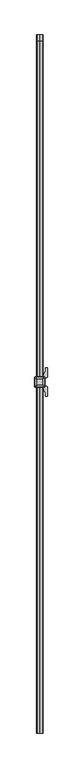
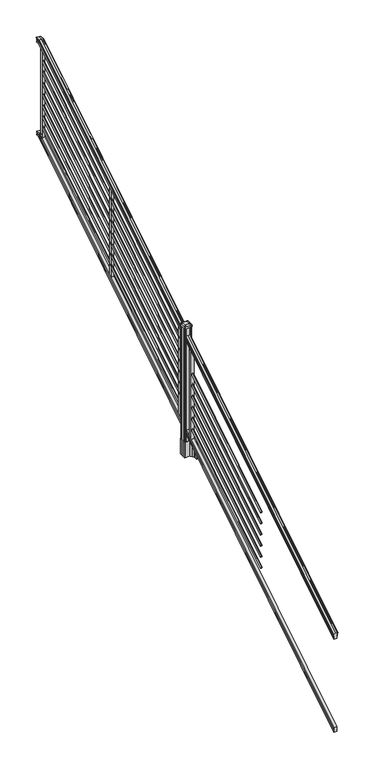
"""IFC4 building model written with IfcOpenShell, lengths in millimetres: railing geometry."""

from ifc_helpers import new_model, si_unit, point, frame, frame_2d, origin, origin_2d, place, context, project, spatial, polyline, circle_curve, ellipse_curve, trimmed, segment, composite_curve, outline, extrude, faceted_brep, source, transform, mapped, element, save
from ifc_brep_helpers import plane_surface, cylinder_surface, revolved_surface, extruded_surface, advanced_brep


def railing_452a5025(model_context):
    return source(origin(), model_context, "Body", "SolidModel", [
        advanced_brep(
        [(10037.832944, -142728.8628453, 1270.3670492), (10040.4067728, -142728.8628453, 1270.3670492), (10040.4067728, -142728.8628453, 1257.7994336), (10039.3907728, -142728.8628453, 1256.601318), (10039.3907728, -142728.8628453, 1242.06), (10071.1407728, -142728.8628453, 1242.06), (10071.1407728, -142728.8628453, 1256.7874214), (10070.1247728, -142728.8628453, 1257.985537), (10070.1247728, -142728.8628453, 1270.3670492), (10072.6986015, -142728.8628453, 1270.3670492), (10072.6986015, -142728.8628453, 1272.5935658), (10073.8287878, -142728.8628453, 1274.4358543), (10073.8287878, -142728.8628453, 1282.9476358), (10073.1795314, -142728.8628453, 1285.8172588), (10075.6795314, -142728.8628453, 1290.9235509), (10077.0888739, -142728.8628453, 1292.9042021), (10077.4907729, -142728.8628453, 1294.2069579), (10077.4907728, -142728.8628453, 1295.7874846), (10075.9373255, -142728.8628453, 1297.6193836), (10055.2657728, -142728.8628453, 1297.6193836), (10034.59422, -142728.8628453, 1297.6193836), (10033.0407728, -142728.8628453, 1295.7874846), (10033.0407728, -142728.8628453, 1294.2069579), (10033.4426717, -142728.8628453, 1292.9042021), (10034.8520141, -142728.8628453, 1290.9235509), (10037.3520141, -142728.8628453, 1285.8172588), (10036.7027577, -142728.8628453, 1282.9476358), (10036.7027577, -142728.8628453, 1274.4358543), (10037.832944, -142728.8628453, 1272.5935658), (10037.832944, -137852.0628453, 4295.0143297), (10037.832944, -137852.0628453, 4296.902412), (10036.7027577, -137852.0628453, 4298.4646695), (10036.7027577, -137852.0628453, 4305.6826458), (10037.3520141, -137852.0628453, 4308.1160812), (10034.8520141, -137852.0628453, 4312.4462082), (10033.4426717, -137852.0628453, 4314.1257972), (10033.0407727, -137852.0628453, 4315.2305318), (10033.0407728, -137852.0628453, 4316.5708158), (10034.59422, -137852.0628453, 4318.124263), (10055.2657728, -137852.0628453, 4318.124263), (10075.9373255, -137852.0628453, 4318.124263), (10077.4907728, -137852.0628453, 4316.5708158), (10077.4907728, -137852.0628453, 4315.2305318), (10077.0888739, -137852.0628453, 4314.1257972), (10075.6795314, -137852.0628453, 4312.4462082), (10073.1795314, -137852.0628453, 4308.1160812), (10073.8287878, -137852.0628453, 4305.6826458), (10073.8287878, -137852.0628453, 4298.4646695), (10072.6986015, -137852.0628453, 4296.902412), (10072.6986015, -137852.0628453, 4295.0143297), (10070.1247728, -137852.0628453, 4295.0143297), (10070.1247728, -137852.0628453, 4284.5148283), (10071.1407728, -137852.0628453, 4283.4988283), (10071.1407728, -137852.0628453, 4271.01), (10039.3907728, -137852.0628453, 4271.01), (10039.3907728, -137852.0628453, 4283.341013), (10040.4067728, -137852.0628453, 4284.357013), (10040.4067728, -137852.0628453, 4295.0143297), (10037.832944, -137889.9686913, 4296.902412), (10037.832944, -137889.4271965, 4295.0143297), (10036.7027577, -137890.4167409, 4298.4646695), (10036.7027577, -137892.4868293, 4305.6826458), (10037.3520141, -137893.1847294, 4308.1160812), (10034.8520141, -137894.4265935, 4312.4462082), (10033.4426717, -137894.9082932, 4314.1257972), (10033.0407727, -137895.2251269, 4315.2305318), (10033.0407728, -137895.6095153, 4316.5708158), (10034.59422, -137896.0550381, 4318.124263), (10055.2657728, -137896.0550381, 4318.124263), (10075.9373255, -137896.0550381, 4318.124263), (10077.4907728, -137895.6095153, 4316.5708158), (10077.4907728, -137895.2251269, 4315.2305318), (10077.0888739, -137894.9082932, 4314.1257972), (10075.6795314, -137894.4265935, 4312.4462082), (10073.1795314, -137893.1847294, 4308.1160812), (10073.8287878, -137892.4868293, 4305.6826458), (10073.8287878, -137890.4167409, 4298.4646695), (10072.6986015, -137889.9686913, 4296.902412), (10072.6986015, -137889.4271965, 4295.0143297), (10070.1247728, -137889.4271965, 4295.0143297), (10070.1247728, -137886.4159791, 4284.5148283), (10071.1407728, -137886.1245941, 4283.4988283), (10071.1407728, -137882.5428453, 4271.01), (10039.3907728, -137882.5428453, 4271.01), (10039.3907728, -137886.0793333, 4283.341013), (10040.4067728, -137886.3707182, 4284.357013), (10040.4067728, -137889.4271965, 4295.0143297)],
        [
            (0, 1, ellipse_curve(frame((10039.1198584, -142728.8628453, 1270.3670492), z_axis=(0.0, -1.0, 0.0), x_axis=(0.0, 0.0, -1.0)), 1.5175907, 1.2869144)),
            (1, 2),
            (2, 3),
            (3, 4),
            (4, 5),
            (5, 6),
            (6, 7),
            (7, 8),
            (8, 9, ellipse_curve(frame((10071.4116871, -142728.8628453, 1270.3670492), z_axis=(0.0, -1.0, 0.0), x_axis=(0.0, 0.0, -1.0)), 1.5175907, 1.2869144)),
            (9, 10),
            (10, 11, ellipse_curve(frame((10066.3838482, -142728.8628453, 1279.3839405), z_axis=(0.0, -1.0, 0.0), x_axis=(0.0, 0.0, -1.0)), 10.0777926, 8.545951)),
            (11, 12, ellipse_curve(frame((10066.8209112, -142728.8628453, 1278.6917451), z_axis=(0.0, -1.0, 0.0), x_axis=(0.0, 0.0, -1.0)), 9.2955186, 7.882584)),
            (12, 13, ellipse_curve(frame((10077.3342353, -142728.8628453, 1285.5875077), z_axis=(0.0, 1.0, 0.0), x_axis=(0.0, 0.0, 1.0)), 4.9048088, 4.1592695)),
            (13, 14, ellipse_curve(frame((10078.6215419, -142728.8628453, 1285.5163208), z_axis=(0.0, 1.0, 0.0), x_axis=(0.0, 0.0, 1.0)), 6.4245301, 5.4479907)),
            (14, 15, ellipse_curve(frame((10077.3883834, -142728.8628453, 1290.9202333), z_axis=(0.0, 1.0, 0.0), x_axis=(0.0, 0.0, 1.0)), 2.0151625, 1.7088543)),
            (15, 16, ellipse_curve(frame((10075.7714833, -142728.8628453, 1294.2069579), z_axis=(0.0, -1.0, 0.0), x_axis=(0.0, 0.0, -1.0)), 2.0274681, 1.7192895)),
            (16, 17),
            (17, 18, ellipse_curve(frame((10075.9373255, -142728.8628453, 1295.7874846), z_axis=(0.0, -1.0, 0.0), x_axis=(0.0, 0.0, -1.0)), 1.831899, 1.5534472)),
            (18, 19),
            (19, 20),
            (20, 21, ellipse_curve(frame((10034.59422, -142728.8628453, 1295.7874846), z_axis=(0.0, -1.0, 0.0), x_axis=(0.0, 0.0, -1.0)), 1.831899, 1.5534472)),
            (21, 22),
            (22, 23, ellipse_curve(frame((10034.7600622, -142728.8628453, 1294.2069579), z_axis=(0.0, -1.0, 0.0), x_axis=(0.0, 0.0, -1.0)), 2.0274681, 1.7192895)),
            (23, 24, ellipse_curve(frame((10033.1431621, -142728.8628453, 1290.9202333), z_axis=(0.0, 1.0, 0.0), x_axis=(0.0, 0.0, 1.0)), 2.0151625, 1.7088543)),
            (24, 25, ellipse_curve(frame((10031.9100037, -142728.8628453, 1285.5163208), z_axis=(0.0, 1.0, 0.0), x_axis=(0.0, 0.0, 1.0)), 6.4245301, 5.4479907)),
            (25, 26, ellipse_curve(frame((10033.1973102, -142728.8628453, 1285.5875077), z_axis=(0.0, 1.0, 0.0), x_axis=(0.0, 0.0, 1.0)), 4.9048088, 4.1592695)),
            (26, 27, ellipse_curve(frame((10043.7106343, -142728.8628453, 1278.6917451), z_axis=(0.0, -1.0, 0.0), x_axis=(0.0, 0.0, -1.0)), 9.2955186, 7.882584)),
            (27, 28, ellipse_curve(frame((10044.1476973, -142728.8628453, 1279.3839405), z_axis=(0.0, -1.0, 0.0), x_axis=(0.0, 0.0, -1.0)), 10.0777926, 8.545951)),
            (28, 0),
            (29, 30),
            (30, 31, circle_curve(frame((10044.1476973, -137852.0628453, 4302.6606383), z_axis=(0.0, 1.0, 0.0), x_axis=(1.0, 0.0, 0.0)), 8.545951)),
            (31, 32, circle_curve(frame((10043.7106343, -137852.0628453, 4302.0736577), z_axis=(0.0, 1.0, 0.0), x_axis=(1.0, 0.0, 0.0)), 7.882584)),
            (32, 33, circle_curve(frame((10033.1973102, -137852.0628453, 4307.9212527), z_axis=(0.0, -1.0, 0.0), x_axis=(1.0, 0.0, 0.0)), 4.1592695)),
            (33, 34, circle_curve(frame((10031.9100037, -137852.0628453, 4307.8608864), z_axis=(0.0, -1.0, 0.0), x_axis=(1.0, 0.0, 0.0)), 5.4479907)),
            (34, 35, circle_curve(frame((10033.1431621, -137852.0628453, 4312.443395), z_axis=(0.0, -1.0, 0.0), x_axis=(1.0, 0.0, 0.0)), 1.7088543)),
            (35, 36, circle_curve(frame((10034.7600622, -137852.0628453, 4315.2305318), z_axis=(0.0, 1.0, 0.0), x_axis=(1.0, 0.0, 0.0)), 1.7192895)),
            (36, 37),
            (37, 38, circle_curve(frame((10034.59422, -137852.0628453, 4316.5708158), z_axis=(0.0, 1.0, 0.0), x_axis=(1.0, 0.0, 0.0)), 1.5534472)),
            (38, 39),
            (39, 40),
            (40, 41, circle_curve(frame((10075.9373255, -137852.0628453, 4316.5708158), z_axis=(0.0, 1.0, 0.0), x_axis=(-1.0, 0.0, 0.0)), 1.5534472)),
            (41, 42),
            (42, 43, circle_curve(frame((10075.7714833, -137852.0628453, 4315.2305318), z_axis=(0.0, 1.0, 0.0), x_axis=(-1.0, 0.0, 0.0)), 1.7192895)),
            (43, 44, circle_curve(frame((10077.3883834, -137852.0628453, 4312.443395), z_axis=(0.0, -1.0, 0.0), x_axis=(-1.0, 0.0, 0.0)), 1.7088543)),
            (44, 45, circle_curve(frame((10078.6215419, -137852.0628453, 4307.8608864), z_axis=(0.0, -1.0, 0.0), x_axis=(-1.0, 0.0, 0.0)), 5.4479907)),
            (45, 46, circle_curve(frame((10077.3342353, -137852.0628453, 4307.9212527), z_axis=(0.0, -1.0, 0.0), x_axis=(-1.0, 0.0, 0.0)), 4.1592695)),
            (46, 47, circle_curve(frame((10066.8209112, -137852.0628453, 4302.0736577), z_axis=(0.0, 1.0, 0.0), x_axis=(-1.0, 0.0, 0.0)), 7.882584)),
            (47, 48, circle_curve(frame((10066.3838482, -137852.0628453, 4302.6606383), z_axis=(0.0, 1.0, 0.0), x_axis=(-1.0, 0.0, 0.0)), 8.545951)),
            (48, 49),
            (49, 50, circle_curve(frame((10071.4116871, -137852.0628453, 4295.0143297), z_axis=(0.0, 1.0, 0.0), x_axis=(-1.0, 0.0, 0.0)), 1.2869144)),
            (50, 51),
            (51, 52),
            (52, 53),
            (53, 54),
            (54, 55),
            (55, 56),
            (56, 57),
            (57, 29, circle_curve(frame((10039.1198584, -137852.0628453, 4295.0143297), z_axis=(0.0, 1.0, 0.0), x_axis=(1.0, 0.0, 0.0)), 1.2869144)),
            (28, 58),
            (58, 59),
            (59, 0),
            (27, 60),
            (60, 58, ellipse_curve(frame((10044.1476973, -137891.6201289, 4302.6606383), z_axis=(0.0, -0.9612487461643644, -0.2756825130425166), x_axis=(0.0, 0.27568251304251695, -0.9612487461643643)), 8.8904678, 8.545951)),
            (26, 61),
            (61, 60, ellipse_curve(frame((10043.7106343, -137891.4517851, 4302.0736577), z_axis=(0.0, -0.9612487461643644, -0.2756825130425166), x_axis=(0.0, 0.27568251304251695, -0.9612487461643643)), 8.2003581, 7.882584)),
            (25, 62),
            (62, 61, ellipse_curve(frame((10033.1973102, -137893.1288533, 4307.9212527), z_axis=(0.0, 0.9612487461643644, 0.2756825130425166), x_axis=(0.0, -0.27568251304251695, 0.9612487461643643)), 4.326944, 4.1592695)),
            (24, 63),
            (63, 62, ellipse_curve(frame((10031.9100037, -137893.1115404, 4307.8608864), z_axis=(0.0, 0.9612487461643644, 0.2756825130425166), x_axis=(0.0, -0.27568251304251695, 0.9612487461643643)), 5.667618, 5.4479907)),
            (23, 64),
            (64, 63, ellipse_curve(frame((10033.1431621, -137894.4257866, 4312.443395), z_axis=(0.0, 0.9612487461643644, 0.2756825130425166), x_axis=(0.0, -0.27568251304251695, 0.9612487461643643)), 1.7777442, 1.7088543)),
            (22, 65),
            (65, 64, ellipse_curve(frame((10034.7600622, -137895.2251269, 4315.2305318), z_axis=(0.0, -0.9612487461643644, -0.2756825130425166), x_axis=(0.0, 0.27568251304251695, -0.9612487461643643)), 1.7886, 1.7192895)),
            (21, 66),
            (66, 65),
            (20, 67),
            (67, 66, ellipse_curve(frame((10034.59422, -137895.6095153, 4316.5708158), z_axis=(0.0, -0.9612487461643644, -0.2756825130425166), x_axis=(0.0, 0.27568251304251695, -0.9612487461643643)), 1.6160721, 1.5534472)),
            (19, 68),
            (68, 67),
            (18, 69),
            (69, 68),
            (17, 70),
            (70, 69, ellipse_curve(frame((10075.9373255, -137895.6095153, 4316.5708158), z_axis=(0.0, -0.9612487461643644, -0.2756825130425166), x_axis=(0.0, 0.27568251304251695, -0.9612487461643643)), 1.6160721, 1.5534472)),
            (16, 71),
            (71, 70),
            (15, 72),
            (72, 71, ellipse_curve(frame((10075.7714833, -137895.2251269, 4315.2305318), z_axis=(0.0, -0.9612487461643644, -0.2756825130425166), x_axis=(0.0, 0.27568251304251695, -0.9612487461643643)), 1.7886, 1.7192895)),
            (14, 73),
            (73, 72, ellipse_curve(frame((10077.3883834, -137894.4257866, 4312.443395), z_axis=(0.0, 0.9612487461643644, 0.2756825130425166), x_axis=(0.0, -0.27568251304251695, 0.9612487461643643)), 1.7777442, 1.7088543)),
            (13, 74),
            (74, 73, ellipse_curve(frame((10078.6215419, -137893.1115404, 4307.8608864), z_axis=(0.0, 0.9612487461643644, 0.2756825130425166), x_axis=(0.0, -0.27568251304251695, 0.9612487461643643)), 5.667618, 5.4479907)),
            (12, 75),
            (75, 74, ellipse_curve(frame((10077.3342353, -137893.1288533, 4307.9212527), z_axis=(0.0, 0.9612487461643644, 0.2756825130425166), x_axis=(0.0, -0.27568251304251695, 0.9612487461643643)), 4.326944, 4.1592695)),
            (11, 76),
            (76, 75, ellipse_curve(frame((10066.8209112, -137891.4517851, 4302.0736577), z_axis=(0.0, -0.9612487461643644, -0.2756825130425166), x_axis=(0.0, 0.27568251304251695, -0.9612487461643643)), 8.2003581, 7.882584)),
            (10, 77),
            (77, 76, ellipse_curve(frame((10066.3838482, -137891.6201289, 4302.6606383), z_axis=(0.0, -0.9612487461643644, -0.2756825130425166), x_axis=(0.0, 0.27568251304251695, -0.9612487461643643)), 8.8904678, 8.545951)),
            (9, 78),
            (78, 77),
            (8, 79),
            (79, 78, ellipse_curve(frame((10071.4116871, -137889.4271965, 4295.0143297), z_axis=(0.0, -0.9612487461643644, -0.2756825130425166), x_axis=(0.0, 0.27568251304251695, -0.9612487461643643)), 1.3387943, 1.2869144)),
            (7, 80),
            (80, 79),
            (6, 81),
            (81, 80),
            (5, 82),
            (82, 81),
            (4, 83),
            (83, 82),
            (3, 84),
            (84, 83),
            (2, 85),
            (85, 84),
            (1, 86),
            (86, 85),
            (59, 86, ellipse_curve(frame((10039.1198584, -137889.4271965, 4295.0143297), z_axis=(0.0, -0.9612487461643644, -0.2756825130425166), x_axis=(0.0, 0.27568251304251695, -0.9612487461643643)), 1.3387943, 1.2869144)),
            (58, 30),
            (29, 59),
            (60, 31),
            (61, 32),
            (62, 33),
            (63, 34),
            (64, 35),
            (65, 36),
            (66, 37),
            (67, 38),
            (68, 39),
            (69, 40),
            (70, 41),
            (71, 42),
            (72, 43),
            (73, 44),
            (74, 45),
            (75, 46),
            (76, 47),
            (77, 48),
            (78, 49),
            (79, 50),
            (80, 51),
            (81, 52),
            (82, 53),
            (83, 54),
            (84, 55),
            (85, 56),
            (86, 57),
        ],
        [
            plane_surface(frame((10055.2657728, -142728.8628453, 1242.06), z_axis=(0.0, -1.0, 0.0), x_axis=(0.0, 0.0, 1.0))),
            plane_surface(frame((10055.2657728, -137852.0628453, 4271.01), z_axis=(0.0, 1.0, 0.0), x_axis=(0.0, 0.0, 1.0))),
            plane_surface(frame((10037.832944, -142728.8628453, 1272.5935658), z_axis=(-1.0000000000000002, 0.0, 0.0), x_axis=(0.0, 0.8479983040051249, 0.5299989400031212))),
            cylinder_surface(frame((10044.1476973, -142745.63765, 1268.8996876), z_axis=(0.0, -0.8479983040051253, -0.5299989400031203), x_axis=(1.0, 0.0, 0.0)), 8.545951),
            cylinder_surface(frame((10043.7106343, -142745.3265509, 1268.401929), z_axis=(0.0, -0.8479983040051253, -0.5299989400031203), x_axis=(1.0, 0.0, 0.0)), 7.882584),
            revolved_surface(polyline([(10037.3565797, -137892.1173076721, 4308.553468716955), (10037.3565797, -142731.06725374944, 1284.209752419102)]), (10033.1973102, -142748.4257701, 1273.3606797), (0.0, 0.8479983040051253, 0.5299989400031203)),
            revolved_surface(polyline([(10037.357994400001, -137891.78657425637, 4308.688990189307), (10037.357994400001, -142731.75027455282, 1283.7116775044994)]), (10031.9100037, -142748.393776, 1273.3094891), (0.0, 0.8479983040051253, 0.5299989400031203)),
            revolved_surface(polyline([(10034.8520164, -137894.01018858227, 4312.7031437730975), (10034.8520164, -142729.76853632246, 1290.354176435948)]), (10033.1431621, -142750.8225007, 1277.1954487), (0.0, 0.8479983040051253, 0.5299989400031203)),
            cylinder_surface(frame((10034.7600622, -142752.2996803, 1279.558936), z_axis=(0.0, -0.8479983040051253, -0.5299989400031203), x_axis=(1.0, 0.0, 0.0)), 1.7192895),
            plane_surface(frame((10033.0407728, -142728.8628453, 1295.7874846), z_axis=(-1.0000000000000002, 0.0, 0.0), x_axis=(0.0, 0.8479983040051248, 0.5299989400031213))),
            cylinder_surface(frame((10034.59422, -142753.0100294, 1280.6954945), z_axis=(0.0, -0.8479983040051253, -0.5299989400031203), x_axis=(1.0, 0.0, 0.0)), 1.5534472),
            plane_surface(frame((10055.2657728, -142728.8628453, 1297.6193836), z_axis=(0.0, -0.5299989400031196, 0.8479983040051258), x_axis=(0.0, 0.8479983040051258, 0.5299989400031196))),
            plane_surface(frame((10075.9373255, -142728.8628453, 1297.6193836), z_axis=(0.0, -0.5299989400031196, 0.8479983040051258), x_axis=(0.0, 0.8479983040051258, 0.5299989400031196))),
            cylinder_surface(frame((10075.9373255, -142753.0100294, 1280.6954945), z_axis=(0.0, -0.8479983040051253, -0.5299989400031203), x_axis=(-1.0, 0.0, 0.0)), 1.5534472),
            plane_surface(frame((10077.4907728, -142728.8628453, 1294.2069579), z_axis=(1.0, 0.0, 0.0), x_axis=(0.0, 0.8479983040051258, 0.5299989400031196))),
            cylinder_surface(frame((10075.7714833, -142752.2996803, 1279.558936), z_axis=(0.0, -0.8479983040051253, -0.5299989400031203), x_axis=(-1.0, 0.0, 0.0)), 1.7192895),
            revolved_surface(polyline([(10075.6795291, -137894.01018858227, 4312.7031437730975), (10075.6795291, -142729.76853632246, 1290.354176435948)]), (10077.3883834, -142750.8225007, 1277.1954487), (0.0, 0.8479983040051253, 0.5299989400031203)),
            revolved_surface(polyline([(10073.1735512, -137891.78657425637, 4308.688990189307), (10073.1735512, -142731.75027455282, 1283.7116775044994)]), (10078.6215419, -142748.393776, 1273.3094891), (0.0, 0.8479983040051253, 0.5299989400031203)),
            revolved_surface(polyline([(10073.1749658, -137892.1173076721, 4308.553468716955), (10073.1749658, -142731.06725374944, 1284.209752419102)]), (10077.3342353, -142748.4257701, 1273.3606797), (0.0, 0.8479983040051253, 0.5299989400031203)),
            cylinder_surface(frame((10066.8209112, -142745.3265509, 1268.401929), z_axis=(0.0, -0.8479983040051253, -0.5299989400031203), x_axis=(-1.0, 0.0, 0.0)), 7.882584),
            cylinder_surface(frame((10066.3838482, -142745.63765, 1268.8996876), z_axis=(0.0, -0.8479983040051253, -0.5299989400031203), x_axis=(-1.0, 0.0, 0.0)), 8.545951),
            plane_surface(frame((10072.6986015, -142728.8628453, 1270.3670492), z_axis=(1.0000000000000002, 0.0, 0.0), x_axis=(0.0, 0.8479983040051253, 0.5299989400031204))),
            cylinder_surface(frame((10071.4116871, -142741.5851146, 1262.4156309), z_axis=(0.0, -0.8479983040051253, -0.5299989400031203), x_axis=(-1.0, 0.0, 0.0)), 1.2869144),
            plane_surface(frame((10070.1247728, -142728.8628453, 1257.985537), z_axis=(1.0000000000000002, 0.0, 0.0), x_axis=(0.0, 0.8479983040051259, 0.5299989400031195))),
            plane_surface(frame((10071.1407728, -142728.8628453, 1256.7874214), z_axis=(0.7071067811865424, -0.3747658444978915, 0.5996253511967198), x_axis=(0.0, 0.8479983040051259, 0.5299989400031194))),
            plane_surface(frame((10071.1407728, -142728.8628453, 1242.06), z_axis=(1.0, 0.0, 0.0), x_axis=(0.0, 0.8479983040051252, 0.5299989400031205))),
            plane_surface(frame((10039.3907728, -142728.8628453, 1242.06), z_axis=(0.0, 0.5299989400031203, -0.8479983040051253), x_axis=(0.0, 0.8479983040051253, 0.5299989400031203))),
            plane_surface(frame((10039.3907728, -142728.8628453, 1256.601318), z_axis=(-1.0, 0.0, 0.0), x_axis=(0.0, 0.847998304005125, 0.5299989400031208))),
            plane_surface(frame((10040.4067728, -142728.8628453, 1257.7994336), z_axis=(-0.7071067811865401, -0.3747658444978911, 0.5996253511967227), x_axis=(0.0, 0.8479983040051258, 0.5299989400031196))),
            plane_surface(frame((10040.4067728, -142728.8628453, 1270.3670492), z_axis=(-1.0000000000000002, 0.0, 0.0), x_axis=(0.0, 0.8479983040051253, 0.5299989400031204))),
            cylinder_surface(frame((10039.1198584, -142741.5851146, 1262.4156309), z_axis=(0.0, -0.8479983040051253, -0.5299989400031203), x_axis=(1.0, 0.0, 0.0)), 1.2869144),
            plane_surface(frame((10037.832944, -137889.9686913, 4296.902412), z_axis=(-1.0, 0.0, 0.0), x_axis=(0.0, 1.0, 0.0))),
            cylinder_surface(frame((10044.1476973, -137882.5428453, 4302.6606383), z_axis=(0.0, -1.0, 0.0), x_axis=(1.0, 0.0, 0.0)), 8.545951),
            cylinder_surface(frame((10043.7106343, -137882.5428453, 4302.0736577), z_axis=(0.0, -1.0, 0.0), x_axis=(1.0, 0.0, 0.0)), 7.882584),
            revolved_surface(polyline([(10037.3565797, -137852.0628453, 4307.9212527), (10037.3565797, -137894.32171609573, 4307.9212527)]), (10033.1973102, -137882.5428453, 4307.9212527), (0.0, 1.0, 0.0)),
            revolved_surface(polyline([(10037.357994400001, -137852.0628453, 4307.8608864), (10037.357994400001, -137894.6740035732, 4307.8608864)]), (10031.9100037, -137882.5428453, 4307.8608864), (0.0, 1.0, 0.0)),
            revolved_surface(polyline([(10034.8520164, -137852.0628453, 4312.443395), (10034.8520164, -137894.9158795886, 4312.443395)]), (10033.1431621, -137882.5428453, 4312.443395), (0.0, 1.0, 0.0)),
            cylinder_surface(frame((10034.7600622, -137882.5428453, 4315.2305318), z_axis=(0.0, -1.0, 0.0), x_axis=(1.0, 0.0, 0.0)), 1.7192895),
            plane_surface(frame((10033.0407728, -137895.6095153, 4316.5708158), z_axis=(-1.0, 0.0, 0.0), x_axis=(0.0, 1.0, 0.0))),
            cylinder_surface(frame((10034.59422, -137882.5428453, 4316.5708158), z_axis=(0.0, -1.0, 0.0), x_axis=(1.0, 0.0, 0.0)), 1.5534472),
            plane_surface(frame((10055.2657728, -137896.0550381, 4318.124263), z_axis=(0.0, 0.0, 1.0), x_axis=(0.0, 1.0, 0.0))),
            plane_surface(frame((10075.9373255, -137896.0550381, 4318.124263), z_axis=(0.0, 0.0, 1.0), x_axis=(0.0, 1.0, 0.0))),
            cylinder_surface(frame((10075.9373255, -137882.5428453, 4316.5708158), z_axis=(0.0, -1.0, 0.0), x_axis=(-1.0, 0.0, 0.0)), 1.5534472),
            plane_surface(frame((10077.4907728, -137895.2251269, 4315.2305318), z_axis=(1.0, 0.0, 0.0), x_axis=(0.0, 1.0, 0.0))),
            cylinder_surface(frame((10075.7714833, -137882.5428453, 4315.2305318), z_axis=(0.0, -1.0, 0.0), x_axis=(-1.0, 0.0, 0.0)), 1.7192895),
            revolved_surface(polyline([(10075.6795291, -137852.0628453, 4312.443395), (10075.6795291, -137894.9158795886, 4312.443395)]), (10077.3883834, -137882.5428453, 4312.443395), (0.0, 1.0, 0.0)),
            revolved_surface(polyline([(10073.1735512, -137852.0628453, 4307.8608864), (10073.1735512, -137894.6740035732, 4307.8608864)]), (10078.6215419, -137882.5428453, 4307.8608864), (0.0, 1.0, 0.0)),
            revolved_surface(polyline([(10073.1749658, -137852.0628453, 4307.9212527), (10073.1749658, -137894.32171609573, 4307.9212527)]), (10077.3342353, -137882.5428453, 4307.9212527), (0.0, 1.0, 0.0)),
            cylinder_surface(frame((10066.8209112, -137882.5428453, 4302.0736577), z_axis=(0.0, -1.0, 0.0), x_axis=(-1.0, 0.0, 0.0)), 7.882584),
            cylinder_surface(frame((10066.3838482, -137882.5428453, 4302.6606383), z_axis=(0.0, -1.0, 0.0), x_axis=(-1.0, 0.0, 0.0)), 8.545951),
            plane_surface(frame((10072.6986015, -137889.4271965, 4295.0143297), z_axis=(1.0, 0.0, 0.0), x_axis=(0.0, 1.0, 0.0))),
            cylinder_surface(frame((10071.4116871, -137882.5428453, 4295.0143297), z_axis=(0.0, -1.0, 0.0), x_axis=(-1.0, 0.0, 0.0)), 1.2869144),
            plane_surface(frame((10070.1247728, -137886.4159791, 4284.5148283), z_axis=(1.0, 0.0, 0.0), x_axis=(0.0, 1.0, 0.0))),
            plane_surface(frame((10071.1407728, -137886.1245941, 4283.4988283), z_axis=(0.7071067811865427, 0.0, 0.7071067811865523), x_axis=(0.0, 1.0, 0.0))),
            plane_surface(frame((10071.1407728, -137882.5428453, 4271.01), z_axis=(1.0, 0.0, 0.0), x_axis=(0.0, 1.0, 0.0))),
            plane_surface(frame((10039.3907728, -137882.5428453, 4271.01), z_axis=(0.0, 0.0, -1.0), x_axis=(0.0, 1.0, 0.0))),
            plane_surface(frame((10039.3907728, -137886.0793333, 4283.341013), z_axis=(-1.0, 0.0, 0.0), x_axis=(0.0, 1.0, 0.0))),
            plane_surface(frame((10040.4067728, -137886.3707182, 4284.357013), z_axis=(-0.7071067811865398, 0.0, 0.7071067811865555), x_axis=(0.0, 1.0, 0.0))),
            plane_surface(frame((10040.4067728, -137889.4271965, 4295.0143297), z_axis=(-1.0, 0.0, 0.0), x_axis=(0.0, 1.0, 0.0))),
            cylinder_surface(frame((10039.1198584, -137882.5428453, 4295.0143297), z_axis=(0.0, -1.0, 0.0), x_axis=(1.0, 0.0, 0.0)), 1.2869144),
        ],
        [
            (0, [[1, 2, 3, 4, 5, 6, 7, 8, 9, 10, 11, 12, 13, 14, 15, 16, 17, 18, 19, 20, 21, 22, 23, 24, 25, 26, 27, 28, 29]]),
            (1, [[30, 31, 32, 33, 34, 35, 36, 37, 38, 39, 40, 41, 42, 43, 44, 45, 46, 47, 48, 49, 50, 51, 52, 53, 54, 55, 56, 57, 58]]),
            (2, [[-29, 59, 60, 61]]),
            (3, [[-28, 62, 63, -59]]),
            (4, [[-27, 64, 65, -62]]),
            (5, [[-26, 66, 67, -64]]),
            (6, [[-25, 68, 69, -66]]),
            (7, [[-24, 70, 71, -68]]),
            (8, [[-23, 72, 73, -70]]),
            (9, [[-22, 74, 75, -72]]),
            (10, [[-21, 76, 77, -74]]),
            (11, [[-20, 78, 79, -76]]),
            (12, [[-19, 80, 81, -78]]),
            (13, [[-18, 82, 83, -80]]),
            (14, [[-17, 84, 85, -82]]),
            (15, [[-16, 86, 87, -84]]),
            (16, [[-15, 88, 89, -86]]),
            (17, [[-14, 90, 91, -88]]),
            (18, [[-13, 92, 93, -90]]),
            (19, [[-12, 94, 95, -92]]),
            (20, [[-11, 96, 97, -94]]),
            (21, [[-10, 98, 99, -96]]),
            (22, [[-9, 100, 101, -98]]),
            (23, [[-8, 102, 103, -100]]),
            (24, [[-7, 104, 105, -102]]),
            (25, [[-6, 106, 107, -104]]),
            (26, [[-5, 108, 109, -106]]),
            (27, [[-4, 110, 111, -108]]),
            (28, [[-3, 112, 113, -110]]),
            (29, [[-2, 114, 115, -112]]),
            (30, [[-1, -61, 116, -114]]),
            (31, [[-60, 117, -30, 118]]),
            (32, [[-63, 119, -31, -117]]),
            (33, [[-65, 120, -32, -119]]),
            (34, [[-67, 121, -33, -120]]),
            (35, [[-69, 122, -34, -121]]),
            (36, [[-71, 123, -35, -122]]),
            (37, [[-73, 124, -36, -123]]),
            (38, [[-75, 125, -37, -124]]),
            (39, [[-77, 126, -38, -125]]),
            (40, [[-79, 127, -39, -126]]),
            (41, [[-81, 128, -40, -127]]),
            (42, [[-83, 129, -41, -128]]),
            (43, [[-85, 130, -42, -129]]),
            (44, [[-87, 131, -43, -130]]),
            (45, [[-89, 132, -44, -131]]),
            (46, [[-91, 133, -45, -132]]),
            (47, [[-93, 134, -46, -133]]),
            (48, [[-95, 135, -47, -134]]),
            (49, [[-97, 136, -48, -135]]),
            (50, [[-99, 137, -49, -136]]),
            (51, [[-101, 138, -50, -137]]),
            (52, [[-103, 139, -51, -138]]),
            (53, [[-105, 140, -52, -139]]),
            (54, [[-107, 141, -53, -140]]),
            (55, [[-109, 142, -54, -141]]),
            (56, [[-111, 143, -55, -142]]),
            (57, [[-113, 144, -56, -143]]),
            (58, [[-115, 145, -57, -144]]),
            (59, [[-116, -118, -58, -145]]),
        ],
    ),
        faceted_brep([(10039.3532859, -142728.8628453, 325.4465079), (10039.3532859, -142728.8628453, 310.642), (10071.1032859, -142728.8628453, 310.642), (10071.1032859, -142728.8628453, 325.4268772), (10070.0872859, -142728.8628453, 327.0168303), (10070.0872859, -142728.8628453, 339.1768741), (10071.1032859, -142728.8628453, 340.7668272), (10071.1032859, -142728.8628453, 355.5664744), (10039.3532859, -142728.8628453, 355.5664744), (10039.3532859, -142728.8628453, 340.7864579), (10040.3692859, -142728.8628453, 339.1965048), (10040.3692859, -142728.8628453, 326.980026), (10039.3532859, -137852.0628453, 3352.1461976), (10040.3692859, -137852.0628453, 3353.4466183), (10040.3692859, -137852.0628453, 3363.8061717), (10039.3532859, -137852.0628453, 3365.1544492), (10039.3532859, -137852.0628453, 3377.6878781), (10071.1032859, -137852.0628453, 3377.6878781), (10071.1032859, -137852.0628453, 3365.1378024), (10070.0872859, -137852.0628453, 3363.7895248), (10070.0872859, -137852.0628453, 3353.4778283), (10071.1032859, -137852.0628453, 3352.1295508), (10071.1032859, -137852.0628453, 3339.592), (10039.3532859, -137852.0628453, 3339.592), (10040.3692859, -137886.5162975, 3353.4466183), (10039.3532859, -137886.1433418, 3352.1461976), (10040.3692859, -137889.4873783, 3363.8061717), (10039.3532859, -137889.8740593, 3365.1544492), (10039.3532859, -137893.4685994, 3377.6878781), (10071.1032859, -137893.4685994, 3377.6878781), (10071.1032859, -137889.869285, 3365.1378024), (10070.0872859, -137889.4826041, 3363.7895248), (10070.0872859, -137886.5252485, 3353.4778283), (10071.1032859, -137886.1385675, 3352.1295508), (10071.1032859, -137882.5428453, 3339.592), (10039.3532859, -137882.5428453, 3339.592)], [[[0, 1, 2, 3, 4, 5, 6, 7, 8, 9, 10, 11]], [[12, 13, 14, 15, 16, 17, 18, 19, 20, 21, 22, 23]], [[0, 11, 24, 25]], [[11, 10, 26, 24]], [[10, 9, 27, 26]], [[9, 8, 28, 27]], [[8, 7, 29, 28]], [[7, 6, 30, 29]], [[6, 5, 31, 30]], [[5, 4, 32, 31]], [[4, 3, 33, 32]], [[3, 2, 34, 33]], [[2, 1, 35, 34]], [[1, 0, 25, 35]], [[25, 24, 13, 12]], [[24, 26, 14, 13]], [[26, 27, 15, 14]], [[27, 28, 16, 15]], [[28, 29, 17, 16]], [[29, 30, 18, 17]], [[30, 31, 19, 18]], [[31, 32, 20, 19]], [[32, 33, 21, 20]], [[33, 34, 22, 21]], [[34, 35, 23, 22]], [[35, 25, 12, 23]]]),
        extrude(outline(polyline([(-137904.3868453, 3364.0353781), (-137929.7868453, 3348.1603781), (-137929.7868453, 4241.4825), (-137904.3868453, 4257.3575), (-137904.3868453, 3364.0353781)])), frame((10042.5657728, 0.0, 0.0), z_axis=(1.0, 0.0, 0.0), x_axis=(0.0, 1.0, 0.0)), (0.0, 0.0, 1.0), 25.4),
        extrude(outline(composite_curve([segment(trimmed(circle_curve(origin_2d(), 8.001), [point((0.0, -8.001))], [point((0.0, 8.001))], False, "CARTESIAN"), True, "CONTINUOUS"), segment(trimmed(circle_curve(origin_2d(), 8.001), [point((0.0, 8.001))], [point((0.0, -8.001))], False, "CARTESIAN"), True, "CONTINUOUS")], self_intersect=False)), frame((10055.5759347, -139055.0068453, 2745.9796159), z_axis=(0.0, 0.8479983040051253, 0.5299989400031202), x_axis=(-1.0, 0.0, 0.0)), (0.0, 0.0, 1.0), 1347.8800542),
        extrude(outline(composite_curve([segment(trimmed(circle_curve(origin_2d(), 8.001), [point((0.0, -8.001))], [point((0.0, 8.001))], False, "CARTESIAN"), True, "CONTINUOUS"), segment(trimmed(circle_curve(origin_2d(), 8.001), [point((0.0, 8.001))], [point((0.0, -8.001))], False, "CARTESIAN"), True, "CONTINUOUS")], self_intersect=False)), frame((10055.5759347, -139055.0068453, 2857.1695274), z_axis=(0.0, 0.8479983040051253, 0.5299989400031202), x_axis=(-1.0, 0.0, 0.0)), (0.0, 0.0, 1.0), 1347.8800542),
        extrude(outline(composite_curve([segment(trimmed(circle_curve(origin_2d(), 8.001), [point((0.0, -8.001))], [point((0.0, 8.001))], False, "CARTESIAN"), True, "CONTINUOUS"), segment(trimmed(circle_curve(origin_2d(), 8.001), [point((0.0, 8.001))], [point((0.0, -8.001))], False, "CARTESIAN"), True, "CONTINUOUS")], self_intersect=False)), frame((10055.5759347, -139055.0068453, 2968.359439), z_axis=(0.0, 0.8479983040051254, 0.5299989400031202), x_axis=(-1.0, 0.0, 0.0)), (0.0, 0.0, 1.0), 1347.8800542),
        extrude(outline(composite_curve([segment(trimmed(circle_curve(origin_2d(), 8.001), [point((0.0, -8.001))], [point((0.0, 8.001))], False, "CARTESIAN"), True, "CONTINUOUS"), segment(trimmed(circle_curve(origin_2d(), 8.001), [point((0.0, 8.001))], [point((0.0, -8.001))], False, "CARTESIAN"), True, "CONTINUOUS")], self_intersect=False)), frame((10055.5759347, -139055.0068453, 3079.5493506), z_axis=(0.0, 0.8479983040051254, 0.5299989400031202), x_axis=(-1.0, 0.0, 0.0)), (0.0, 0.0, 1.0), 1347.8800542),
        extrude(outline(composite_curve([segment(trimmed(circle_curve(origin_2d(), 8.001), [point((0.0, -8.001))], [point((0.0, 8.001))], False, "CARTESIAN"), True, "CONTINUOUS"), segment(trimmed(circle_curve(origin_2d(), 8.001), [point((0.0, 8.001))], [point((0.0, -8.001))], False, "CARTESIAN"), True, "CONTINUOUS")], self_intersect=False)), frame((10055.5759347, -139055.0068453, 3190.7392622), z_axis=(0.0, 0.8479983040051253, 0.5299989400031203), x_axis=(-1.0, 0.0, 0.0)), (0.0, 0.0, 1.0), 1347.8800542),
        extrude(outline(composite_curve([segment(trimmed(circle_curve(origin_2d(), 8.001), [point((0.0, -8.001))], [point((0.0, 8.001))], False, "CARTESIAN"), True, "CONTINUOUS"), segment(trimmed(circle_curve(origin_2d(), 8.001), [point((0.0, 8.001))], [point((0.0, -8.001))], False, "CARTESIAN"), True, "CONTINUOUS")], self_intersect=False)), frame((10055.5759347, -139055.0068453, 3301.9291737), z_axis=(0.0, 0.8479983040051253, 0.5299989400031203), x_axis=(-1.0, 0.0, 0.0)), (0.0, 0.0, 1.0), 1347.8800542),
        extrude(outline(composite_curve([segment(trimmed(circle_curve(origin_2d(), 8.001), [point((0.0, -8.001))], [point((0.0, 8.001))], False, "CARTESIAN"), True, "CONTINUOUS"), segment(trimmed(circle_curve(origin_2d(), 8.001), [point((0.0, 8.001))], [point((0.0, -8.001))], False, "CARTESIAN"), True, "CONTINUOUS")], self_intersect=False)), frame((10055.5759347, -139055.0068453, 3413.1190853), z_axis=(0.0, 0.8479983040051253, 0.5299989400031202), x_axis=(-1.0, 0.0, 0.0)), (0.0, 0.0, 1.0), 1347.8800542),
        extrude(outline(composite_curve([segment(trimmed(circle_curve(origin_2d(), 8.001), [point((0.0, -8.001))], [point((0.0, 8.001))], False, "CARTESIAN"), True, "CONTINUOUS"), segment(trimmed(circle_curve(origin_2d(), 8.001), [point((0.0, 8.001))], [point((0.0, -8.001))], False, "CARTESIAN"), True, "CONTINUOUS")], self_intersect=False)), frame((10055.5759347, -139055.0068453, 3524.3089969), z_axis=(0.0, 0.8479983040051254, 0.5299989400031201), x_axis=(-1.0, 0.0, 0.0)), (0.0, 0.0, 1.0), 1347.8800542),
        extrude(outline(polyline([(-139037.2268453, 2656.0103781), (-139062.6268453, 2640.1353781), (-139062.6268453, 3533.4575), (-139037.2268453, 3549.3325), (-139037.2268453, 2656.0103781)])), frame((10042.5657728, 0.0, 0.0), z_axis=(1.0, 0.0, 0.0), x_axis=(0.0, 1.0, 0.0)), (0.0, 0.0, 1.0), 25.4),
        extrude(outline(composite_curve([segment(trimmed(circle_curve(origin_2d(), 8.001), [point((0.0, -8.001))], [point((0.0, 8.001))], False, "CARTESIAN"), True, "CONTINUOUS"), segment(trimmed(circle_curve(origin_2d(), 8.001), [point((0.0, 8.001))], [point((0.0, -8.001))], False, "CARTESIAN"), True, "CONTINUOUS")], self_intersect=False)), frame((10055.5759347, -140187.8468453, 2037.9546159), z_axis=(0.0, 0.8479983040051253, 0.5299989400031202), x_axis=(-1.0, 0.0, 0.0)), (0.0, 0.0, 1.0), 1347.8800542),
        extrude(outline(composite_curve([segment(trimmed(circle_curve(origin_2d(), 8.001), [point((0.0, -8.001))], [point((0.0, 8.001))], False, "CARTESIAN"), True, "CONTINUOUS"), segment(trimmed(circle_curve(origin_2d(), 8.001), [point((0.0, 8.001))], [point((0.0, -8.001))], False, "CARTESIAN"), True, "CONTINUOUS")], self_intersect=False)), frame((10055.5759347, -140187.8468453, 2149.1445274), z_axis=(0.0, 0.8479983040051253, 0.5299989400031202), x_axis=(-1.0, 0.0, 0.0)), (0.0, 0.0, 1.0), 1347.8800542),
        extrude(outline(composite_curve([segment(trimmed(circle_curve(origin_2d(), 8.001), [point((0.0, -8.001))], [point((0.0, 8.001))], False, "CARTESIAN"), True, "CONTINUOUS"), segment(trimmed(circle_curve(origin_2d(), 8.001), [point((0.0, 8.001))], [point((0.0, -8.001))], False, "CARTESIAN"), True, "CONTINUOUS")], self_intersect=False)), frame((10055.5759347, -140187.8468453, 2260.334439), z_axis=(0.0, 0.8479983040051254, 0.5299989400031202), x_axis=(-1.0, 0.0, 0.0)), (0.0, 0.0, 1.0), 1347.8800542),
        extrude(outline(composite_curve([segment(trimmed(circle_curve(origin_2d(), 8.001), [point((0.0, -8.001))], [point((0.0, 8.001))], False, "CARTESIAN"), True, "CONTINUOUS"), segment(trimmed(circle_curve(origin_2d(), 8.001), [point((0.0, 8.001))], [point((0.0, -8.001))], False, "CARTESIAN"), True, "CONTINUOUS")], self_intersect=False)), frame((10055.5759347, -140187.8468453, 2371.5243506), z_axis=(0.0, 0.8479983040051254, 0.5299989400031202), x_axis=(-1.0, 0.0, 0.0)), (0.0, 0.0, 1.0), 1347.8800542),
        extrude(outline(composite_curve([segment(trimmed(circle_curve(origin_2d(), 8.001), [point((0.0, -8.001))], [point((0.0, 8.001))], False, "CARTESIAN"), True, "CONTINUOUS"), segment(trimmed(circle_curve(origin_2d(), 8.001), [point((0.0, 8.001))], [point((0.0, -8.001))], False, "CARTESIAN"), True, "CONTINUOUS")], self_intersect=False)), frame((10055.5759347, -140187.8468453, 2482.7142622), z_axis=(0.0, 0.8479983040051253, 0.5299989400031203), x_axis=(-1.0, 0.0, 0.0)), (0.0, 0.0, 1.0), 1347.8800542),
        extrude(outline(composite_curve([segment(trimmed(circle_curve(origin_2d(), 8.001), [point((0.0, -8.001))], [point((0.0, 8.001))], False, "CARTESIAN"), True, "CONTINUOUS"), segment(trimmed(circle_curve(origin_2d(), 8.001), [point((0.0, 8.001))], [point((0.0, -8.001))], False, "CARTESIAN"), True, "CONTINUOUS")], self_intersect=False)), frame((10055.5759347, -140187.8468453, 2593.9041737), z_axis=(0.0, 0.8479983040051253, 0.5299989400031203), x_axis=(-1.0, 0.0, 0.0)), (0.0, 0.0, 1.0), 1347.8800542),
        extrude(outline(composite_curve([segment(trimmed(circle_curve(origin_2d(), 8.001), [point((0.0, -8.001))], [point((0.0, 8.001))], False, "CARTESIAN"), True, "CONTINUOUS"), segment(trimmed(circle_curve(origin_2d(), 8.001), [point((0.0, 8.001))], [point((0.0, -8.001))], False, "CARTESIAN"), True, "CONTINUOUS")], self_intersect=False)), frame((10055.5759347, -140187.8468453, 2705.0940853), z_axis=(0.0, 0.8479983040051253, 0.5299989400031202), x_axis=(-1.0, 0.0, 0.0)), (0.0, 0.0, 1.0), 1347.8800542),
        extrude(outline(composite_curve([segment(trimmed(circle_curve(origin_2d(), 8.001), [point((0.0, -8.001))], [point((0.0, 8.001))], False, "CARTESIAN"), True, "CONTINUOUS"), segment(trimmed(circle_curve(origin_2d(), 8.001), [point((0.0, 8.001))], [point((0.0, -8.001))], False, "CARTESIAN"), True, "CONTINUOUS")], self_intersect=False)), frame((10055.5759347, -140187.8468453, 2816.2839969), z_axis=(0.0, 0.8479983040051254, 0.5299989400031201), x_axis=(-1.0, 0.0, 0.0)), (0.0, 0.0, 1.0), 1347.8800542),
        extrude(outline(polyline([(-140170.0668453, 1947.9853781), (-140195.4668453, 1932.1103781), (-140195.4668453, 2825.4325), (-140170.0668453, 2841.3075), (-140170.0668453, 1947.9853781)])), frame((10042.5657728, 0.0, 0.0), z_axis=(1.0, 0.0, 0.0), x_axis=(0.0, 1.0, 0.0)), (0.0, 0.0, 1.0), 25.4),
        extrude(outline(composite_curve([segment(polyline([(10022.2140228, -140293.3709401), (10022.2140228, -140259.1067504), (10020.6265228, -140258.3447504), (10020.6265228, -140244.8138224), (10023.8407498, -140241.5995953), (10075.5214206, -140241.5995953), (10075.5214206, -140240.6788453), (10071.1710895, -140240.6788453), (10071.1710895, -140239.2245906), (10066.7976348, -140239.2245906), (10066.7976348, -140237.9405668), (10068.464907, -140237.9405668)]), True, "CONTINUOUS"), segment(trimmed(circle_curve(frame_2d((10068.464907, -140221.1973569)), 16.7432099), [point((10068.464907, -140237.9405668))], [point((10085.0870293, -140223.2073636))], True, "CARTESIAN"), True, "CONTINUOUS"), segment(polyline([(10085.0870293, -140223.2073636), (10092.8024736, -140206.1720251)]), True, "CONTINUOUS"), segment(trimmed(circle_curve(frame_2d((10047.7017103, -140189.8999755)), 47.9464123), [point((10092.8024736, -140206.1720251))], [point((10095.6481226, -140189.8999755))], True, "CARTESIAN"), True, "CONTINUOUS"), segment(polyline([(10095.6481226, -140189.8999755), (10095.6481226, -140177.8912359), (10107.8517103, -140177.8912359), (10107.8517103, -140243.1870953), (10089.9050228, -140254.7635116), (10089.9050228, -140258.3447504), (10088.3175228, -140259.1067504), (10088.3175228, -140293.3709401), (10089.9050228, -140294.1329401), (10089.9050228, -140297.714179), (10107.8517103, -140309.2905953), (10107.8517103, -140374.5864547), (10095.6481226, -140374.5864547), (10095.6481226, -140362.5777151)]), True, "CONTINUOUS"), segment(trimmed(circle_curve(frame_2d((10047.7017103, -140362.5777151)), 47.9464123), [point((10095.6481226, -140362.5777151))], [point((10092.8024736, -140346.3056654))], True, "CARTESIAN"), True, "CONTINUOUS"), segment(polyline([(10092.8024736, -140346.3056654), (10085.0870293, -140329.270327)]), True, "CONTINUOUS"), segment(trimmed(circle_curve(frame_2d((10068.464907, -140331.2803337)), 16.7432099), [point((10085.0870293, -140329.270327))], [point((10068.464907, -140314.5371238))], True, "CARTESIAN"), True, "CONTINUOUS"), segment(polyline([(10068.464907, -140314.5371238), (10076.2556192, -140314.5371238), (10076.2556192, -140313.2531), (10071.1710895, -140313.2531), (10071.1710895, -140311.7988453), (10075.5214206, -140311.7988453), (10075.5214206, -140310.8780953), (10023.8407498, -140310.8780953), (10020.6265228, -140307.6638682), (10020.6265228, -140294.1329401), (10022.2140228, -140293.3709401)]), True, "CONTINUOUS")], self_intersect=False), holes=[polyline([(10087.0157728, -140246.0763453), (10085.4282728, -140244.4888453), (10058.0289902, -140244.4888453), (10025.1032728, -140244.4888453), (10023.5157728, -140246.0763453), (10023.5157728, -140306.4013453), (10025.1032728, -140307.9888453), (10058.0289902, -140307.9888453), (10085.4282728, -140307.9888453), (10087.0157728, -140306.4013453), (10087.0157728, -140246.0763453)])]), frame((0.0, 0.0, 1602.74), z_axis=(0.0, 0.0, 1.0), x_axis=(1.0, 0.0, 0.0)), (0.0, 0.0, 1.0), 152.4),
        advanced_brep(
        [(10071.1407728, -140295.2888453, 2920.489263), (10074.3157728, -140292.1138453, 2920.489263), (10074.3157728, -140260.3638453, 2920.489263), (10071.1407728, -140257.1888453, 2920.489263), (10039.3907728, -140257.1888453, 2920.489263), (10036.2157728, -140260.3638453, 2920.489263), (10036.2157728, -140292.1138453, 2920.489263), (10039.3907728, -140295.2888453, 2920.489263), (10087.6507728, -140311.7988453, 2909.186263), (10022.8807728, -140311.7988453, 2909.186263), (10019.7057728, -140308.6238453, 2909.186263), (10019.7057728, -140243.8538453, 2909.186263), (10022.8807728, -140240.6788453, 2909.186263), (10087.6507728, -140240.6788453, 2909.186263), (10090.8257728, -140243.8538453, 2909.186263), (10090.8257728, -140308.6238453, 2909.186263)],
        [
            (0, 1, circle_curve(frame((10071.1407728, -140292.1138453, 2920.489263), z_axis=(0.0, 0.0, 1.0), x_axis=(0.0, 1.0, 0.0)), 3.175)),
            (1, 2),
            (2, 3, circle_curve(frame((10071.1407728, -140260.3638453, 2920.489263), z_axis=(0.0, 0.0, 1.0), x_axis=(0.0, 1.0, 0.0)), 3.175)),
            (3, 4),
            (4, 5, circle_curve(frame((10039.3907728, -140260.3638453, 2920.489263), z_axis=(0.0, 0.0, 1.0), x_axis=(0.0, 1.0, 0.0)), 3.175)),
            (5, 6),
            (6, 7, circle_curve(frame((10039.3907728, -140292.1138453, 2920.489263), z_axis=(0.0, 0.0, 1.0), x_axis=(0.0, 1.0, 0.0)), 3.175)),
            (7, 0),
            (8, 9),
            (9, 10, circle_curve(frame((10022.8807728, -140308.6238453, 2909.186263), z_axis=(0.0, 0.0, -1.0), x_axis=(0.0, 1.0, 0.0)), 3.175)),
            (10, 11),
            (11, 12, circle_curve(frame((10022.8807728, -140243.8538453, 2909.186263), z_axis=(0.0, 0.0, -1.0), x_axis=(0.0, 1.0, 0.0)), 3.175)),
            (12, 13),
            (13, 14, circle_curve(frame((10087.6507728, -140243.8538453, 2909.186263), z_axis=(0.0, 0.0, -1.0), x_axis=(0.0, 1.0, 0.0)), 3.175)),
            (14, 15),
            (15, 8, circle_curve(frame((10087.6507728, -140308.6238453, 2909.186263), z_axis=(0.0, 0.0, -1.0), x_axis=(0.0, 1.0, 0.0)), 3.175)),
            (15, 1),
            (0, 8),
            (14, 2),
            (13, 3),
            (12, 4),
            (11, 5),
            (10, 6),
            (9, 7),
        ],
        [
            plane_surface(frame((10055.2657728, -140276.2388453, 2920.489263), z_axis=(0.0, 0.0, 1.0), x_axis=(1.0, 0.0, 0.0))),
            plane_surface(frame((10055.2657728, -140276.2388453, 2909.186263), z_axis=(0.0, 0.0, -1.0), x_axis=(1.0, 0.0, 0.0))),
            extruded_surface(trimmed(circle_curve(frame((10087.6507728, -140308.6238453, 2909.186263), z_axis=(0.0, 0.0, 1.0), x_axis=(0.0, 1.0, 0.0)), 3.175), [point((10087.6507728, -140311.7988453, 2909.186263))], [point((10090.8257728, -140308.6238453, 2909.186263))], True, "CARTESIAN"), (-16.51000000000022, 16.510000000009313, 11.302999999999884), 25.940663233624388),
            plane_surface(frame((10090.8257728, -140276.2388453, 2909.186263), z_axis=(0.5649114395471265, 0.0, 0.8251515409116033), x_axis=(0.0, 1.0, 0.0))),
            extruded_surface(trimmed(circle_curve(frame((10087.6507728, -140243.8538453, 2909.186263), z_axis=(0.0, 0.0, 1.0), x_axis=(0.0, 1.0, 0.0)), 3.175), [point((10090.8257728, -140243.8538453, 2909.186263))], [point((10087.6507728, -140240.6788453, 2909.186263))], True, "CARTESIAN"), (-16.51000000000022, -16.50999999998021, 11.302999999999884), 25.940663233605864),
            plane_surface(frame((10055.2657728, -140240.6788453, 2909.186263), z_axis=(0.0, 0.564911439547091, 0.8251515409116277), x_axis=(-1.0, 0.0, 0.0))),
            extruded_surface(trimmed(circle_curve(frame((10022.8807728, -140243.8538453, 2909.186263), z_axis=(0.0, 0.0, 1.0), x_axis=(0.0, 1.0, 0.0)), 3.175), [point((10022.8807728, -140240.6788453, 2909.186263))], [point((10019.7057728, -140243.8538453, 2909.186263))], True, "CARTESIAN"), (16.51000000000022, -16.50999999998021, 11.302999999999884), 25.940663233605864),
            plane_surface(frame((10019.7057728, -140276.2388453, 2909.186263), z_axis=(-0.5649114395470568, 0.0, 0.825151540911651), x_axis=(0.0, -1.0, 0.0))),
            extruded_surface(trimmed(circle_curve(frame((10022.8807728, -140308.6238453, 2909.186263), z_axis=(0.0, 0.0, 1.0), x_axis=(0.0, 1.0, 0.0)), 3.175), [point((10019.7057728, -140308.6238453, 2909.186263))], [point((10022.8807728, -140311.7988453, 2909.186263))], True, "CARTESIAN"), (16.51000000000022, 16.510000000009313, 11.302999999999884), 25.940663233624388),
            plane_surface(frame((10055.2657728, -140311.7988453, 2909.186263), z_axis=(0.0, -0.5649114395471048, 0.8251515409116182), x_axis=(1.0, 0.0, 0.0))),
        ],
        [
            (0, [[1, 2, 3, 4, 5, 6, 7, 8]]),
            (1, [[9, 10, 11, 12, 13, 14, 15, 16]]),
            (2, [[-16, 17, -1, 18]]),
            (3, [[-15, 19, -2, -17]]),
            (4, [[-14, 20, -3, -19]]),
            (5, [[-13, 21, -4, -20]]),
            (6, [[-12, 22, -5, -21]]),
            (7, [[-11, 23, -6, -22]]),
            (8, [[-10, 24, -7, -23]]),
            (9, [[-9, -18, -8, -24]]),
        ],
    ),
        extrude(outline(composite_curve([segment(polyline([(10087.6507728, -140311.7988453), (10022.8807728, -140311.7988453)]), True, "CONTINUOUS"), segment(trimmed(circle_curve(frame_2d((10022.8807728, -140308.6238453)), 3.175), [point((10022.8807728, -140311.7988453))], [point((10019.7057728, -140308.6238453))], False, "CARTESIAN"), True, "CONTINUOUS"), segment(polyline([(10019.7057728, -140308.6238453), (10019.7057728, -140243.8538453)]), True, "CONTINUOUS"), segment(trimmed(circle_curve(frame_2d((10022.8807728, -140243.8538453)), 3.175), [point((10019.7057728, -140243.8538453))], [point((10022.8807728, -140240.6788453))], False, "CARTESIAN"), True, "CONTINUOUS"), segment(polyline([(10022.8807728, -140240.6788453), (10087.6507728, -140240.6788453)]), True, "CONTINUOUS"), segment(trimmed(circle_curve(frame_2d((10087.6507728, -140243.8538453)), 3.175), [point((10087.6507728, -140240.6788453))], [point((10090.8257728, -140243.8538453))], False, "CARTESIAN"), True, "CONTINUOUS"), segment(polyline([(10090.8257728, -140243.8538453), (10090.8257728, -140308.6238453)]), True, "CONTINUOUS"), segment(trimmed(circle_curve(frame_2d((10087.6507728, -140308.6238453)), 3.175), [point((10090.8257728, -140308.6238453))], [point((10087.6507728, -140311.7988453))], False, "CARTESIAN"), True, "CONTINUOUS")], self_intersect=False)), frame((0.0, 0.0, 2891.914263), z_axis=(0.0, 0.0, 1.0), x_axis=(1.0, 0.0, 0.0)), (0.0, 0.0, 1.0), 17.272),
        extrude(outline(polyline([(10085.4282728, -140307.9888453), (10075.0777728, -140307.9888453), (10074.3157728, -140306.4013453), (10036.2157728, -140306.4013453), (10035.4537728, -140307.9888453), (10025.1032728, -140307.9888453), (10023.5157728, -140306.4013453), (10023.5157728, -140296.0508453), (10025.1032728, -140295.2888453), (10025.1032728, -140257.1888453), (10023.5157728, -140256.4268453), (10023.5157728, -140246.0763453), (10025.1032728, -140244.4888453), (10035.4537728, -140244.4888453), (10036.2157728, -140246.0763453), (10074.3157728, -140246.0763453), (10075.0777728, -140244.4888453), (10085.4282728, -140244.4888453), (10087.0157728, -140246.0763453), (10087.0157728, -140256.4268453), (10085.4282728, -140257.1888453), (10085.4282728, -140295.2888453), (10087.0157728, -140296.0508453), (10087.0157728, -140306.4013453), (10085.4282728, -140307.9888453)])), frame((0.0, 0.0, 1755.14), z_axis=(0.0, 0.0, 1.0), x_axis=(1.0, 0.0, 0.0)), (0.0, 0.0, 1.0), 1136.774263),
        extrude(outline(polyline([(-140357.0108453, 1831.1453781), (-140382.4108453, 1815.2703781), (-140382.4108453, 2708.5925), (-140357.0108453, 2724.4675), (-140357.0108453, 1831.1453781)])), frame((10042.5657728, 0.0, 0.0), z_axis=(1.0, 0.0, 0.0), x_axis=(0.0, 1.0, 0.0)), (0.0, 0.0, 1.0), 25.4),
        extrude(outline(composite_curve([segment(trimmed(circle_curve(origin_2d(), 8.001), [point((0.0, -8.001))], [point((0.0, 8.001))], False, "CARTESIAN"), True, "CONTINUOUS"), segment(trimmed(circle_curve(origin_2d(), 8.001), [point((0.0, 8.001))], [point((0.0, -8.001))], False, "CARTESIAN"), True, "CONTINUOUS")], self_intersect=False)), frame((10055.5759347, -141507.6308453, 1213.0896159), z_axis=(0.0, 0.8479983040051253, 0.5299989400031202), x_axis=(-1.0, 0.0, 0.0)), (0.0, 0.0, 1.0), 1347.8800542),
        extrude(outline(composite_curve([segment(trimmed(circle_curve(origin_2d(), 8.001), [point((0.0, -8.001))], [point((0.0, 8.001))], False, "CARTESIAN"), True, "CONTINUOUS"), segment(trimmed(circle_curve(origin_2d(), 8.001), [point((0.0, 8.001))], [point((0.0, -8.001))], False, "CARTESIAN"), True, "CONTINUOUS")], self_intersect=False)), frame((10055.5759347, -141507.6308453, 1324.2795274), z_axis=(0.0, 0.8479983040051253, 0.5299989400031202), x_axis=(-1.0, 0.0, 0.0)), (0.0, 0.0, 1.0), 1347.8800542),
        extrude(outline(composite_curve([segment(trimmed(circle_curve(origin_2d(), 8.001), [point((0.0, -8.001))], [point((0.0, 8.001))], False, "CARTESIAN"), True, "CONTINUOUS"), segment(trimmed(circle_curve(origin_2d(), 8.001), [point((0.0, 8.001))], [point((0.0, -8.001))], False, "CARTESIAN"), True, "CONTINUOUS")], self_intersect=False)), frame((10055.5759347, -141507.6308453, 1435.469439), z_axis=(0.0, 0.8479983040051254, 0.5299989400031202), x_axis=(-1.0, 0.0, 0.0)), (0.0, 0.0, 1.0), 1347.8800542),
        extrude(outline(composite_curve([segment(trimmed(circle_curve(origin_2d(), 8.001), [point((0.0, -8.001))], [point((0.0, 8.001))], False, "CARTESIAN"), True, "CONTINUOUS"), segment(trimmed(circle_curve(origin_2d(), 8.001), [point((0.0, 8.001))], [point((0.0, -8.001))], False, "CARTESIAN"), True, "CONTINUOUS")], self_intersect=False)), frame((10055.5759347, -141507.6308453, 1546.6593506), z_axis=(0.0, 0.8479983040051254, 0.5299989400031202), x_axis=(-1.0, 0.0, 0.0)), (0.0, 0.0, 1.0), 1347.8800542),
        extrude(outline(composite_curve([segment(trimmed(circle_curve(origin_2d(), 8.001), [point((0.0, -8.001))], [point((0.0, 8.001))], False, "CARTESIAN"), True, "CONTINUOUS"), segment(trimmed(circle_curve(origin_2d(), 8.001), [point((0.0, 8.001))], [point((0.0, -8.001))], False, "CARTESIAN"), True, "CONTINUOUS")], self_intersect=False)), frame((10055.5759347, -141507.6308453, 1657.8492622), z_axis=(0.0, 0.8479983040051253, 0.5299989400031203), x_axis=(-1.0, 0.0, 0.0)), (0.0, 0.0, 1.0), 1347.8800542),
        extrude(outline(composite_curve([segment(trimmed(circle_curve(origin_2d(), 8.001), [point((0.0, -8.001))], [point((0.0, 8.001))], False, "CARTESIAN"), True, "CONTINUOUS"), segment(trimmed(circle_curve(origin_2d(), 8.001), [point((0.0, 8.001))], [point((0.0, -8.001))], False, "CARTESIAN"), True, "CONTINUOUS")], self_intersect=False)), frame((10055.5759347, -141507.6308453, 1769.0391737), z_axis=(0.0, 0.8479983040051253, 0.5299989400031203), x_axis=(-1.0, 0.0, 0.0)), (0.0, 0.0, 1.0), 1347.8800542),
    ])


if __name__ == "__main__":
    model = new_model("IFC4")
    model_context = context("Model", 3, world=origin())
    ifc_project = project(units=[si_unit("LENGTHUNIT", "METRE", prefix="MILLI")], contexts=[model_context])
    site = spatial("IfcSite", under=ifc_project)
    building = spatial("IfcBuilding", under=site)
    placement = place(None, origin())
    railing_shape = railing_452a5025(model_context)
    element("IfcRailing", 1, at=placement, inside=building, context=model_context, shape_type="MappedRepresentation", body=[
        mapped(railing_shape, transform((0.0, 0.0, 0.0), x_axis=(1.0, 0.0, 0.0), y_axis=(0.0, 1.0, 0.0), z_axis=(0.0, 0.0, 1.0))),
    ])
    save(model, "model.ifc")
